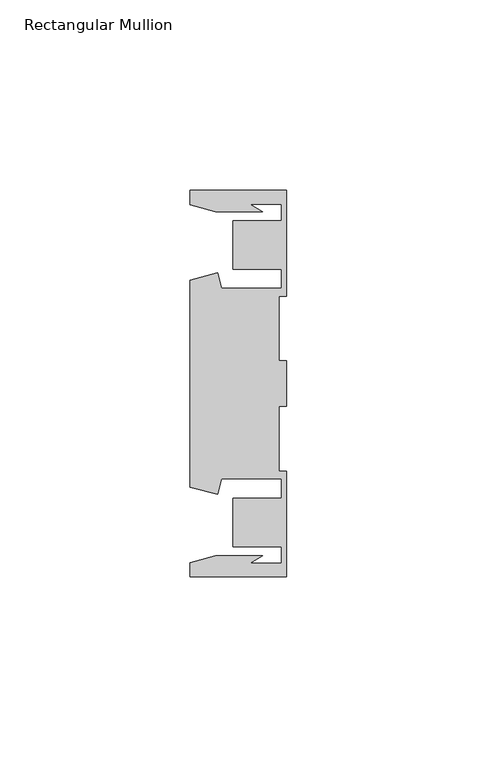
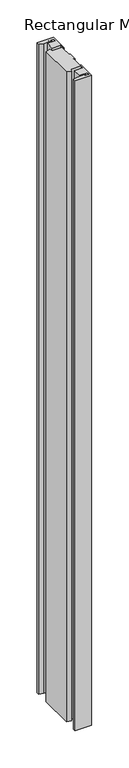
"""IFC4 building model written with IfcOpenShell, lengths in millimetres: member geometry, Rectangular Mullion."""

from ifc_helpers import new_model, si_unit, frame, origin, place, context, project, spatial, polyline, outline, extrude, source, transform, mapped, element, save


def rectangular_mullion_c36b5807(model_context):
    return source(origin(), model_context, "Body", "SweptSolid", [
        extrude(outline(polyline([(-25.4, 50.7954622), (0.0, 50.7954622), (0.0, 22.9938072), (-2.0000011, 22.9938072), (-2.0000011, 6.0000032), (0.0, 6.0000032), (0.0, -6.0000032), (-2.0000011, -6.0000032), (-2.0000011, -22.9938072), (0.0, -22.9938072), (0.0, -50.7954622), (-25.4, -50.7954622), (-25.4, -46.9998463), (-18.7113002, -45.2076146), (-6.3834869, -45.2076146), (-9.7005662, -47.1227313), (-1.4138425, -47.1227313), (-1.4138425, -42.8128906), (-14.1138425, -42.8128906), (-14.1138425, -30.1128906), (-1.4138425, -30.1128906), (-1.4138425, -25.0120132), (-17.1094033, -25.0120132), (-18.2017212, -29.0885993), (-25.4, -27.1598263), (-25.4, 27.1598263), (-18.2017212, 29.0885993), (-17.1094033, 25.0120132), (-1.4138425, 25.0120132), (-1.4138425, 30.1128906), (-14.1138425, 30.1128906), (-14.1138425, 42.8128906), (-1.4138425, 42.8128906), (-1.4138425, 47.1227313), (-9.7005662, 47.1227313), (-6.3834869, 45.2076146), (-18.7113002, 45.2076146), (-25.4, 46.9998463), (-25.4, 50.7954622)])), frame((0.0, 0.0, -1060.45), z_axis=(0.0, 0.0, 1.0), x_axis=(1.0, 0.0, 0.0)), (0.0, 0.0, 1.0), 1060.45),
    ])


if __name__ == "__main__":
    model = new_model("IFC4")
    model_context = context("Model", 3, world=origin())
    ifc_project = project(units=[si_unit("LENGTHUNIT", "METRE", prefix="MILLI")], contexts=[model_context])
    site = spatial("IfcSite", under=ifc_project)
    building = spatial("IfcBuilding", under=site)
    placement = place(None, origin())
    rectangular_mullion_shape = rectangular_mullion_c36b5807(model_context)
    element("IfcMember", 1, ObjectType="Rectangular Mullion", at=placement, inside=building, context=model_context, shape_type="MappedRepresentation", body=[
        mapped(rectangular_mullion_shape, transform((0.0, 0.0, 0.0), x_axis=(1.0, 0.0, 0.0), y_axis=(0.0, 1.0, 0.0), z_axis=(0.0, 0.0, 1.0))),
    ])
    save(model, "model.ifc")
